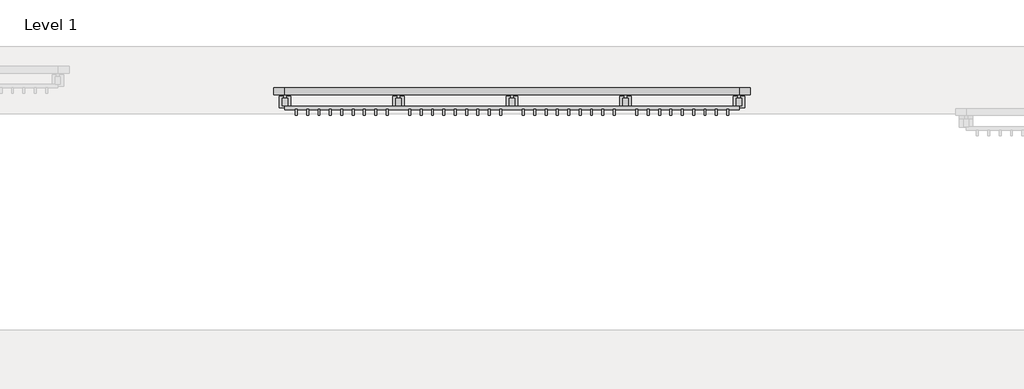
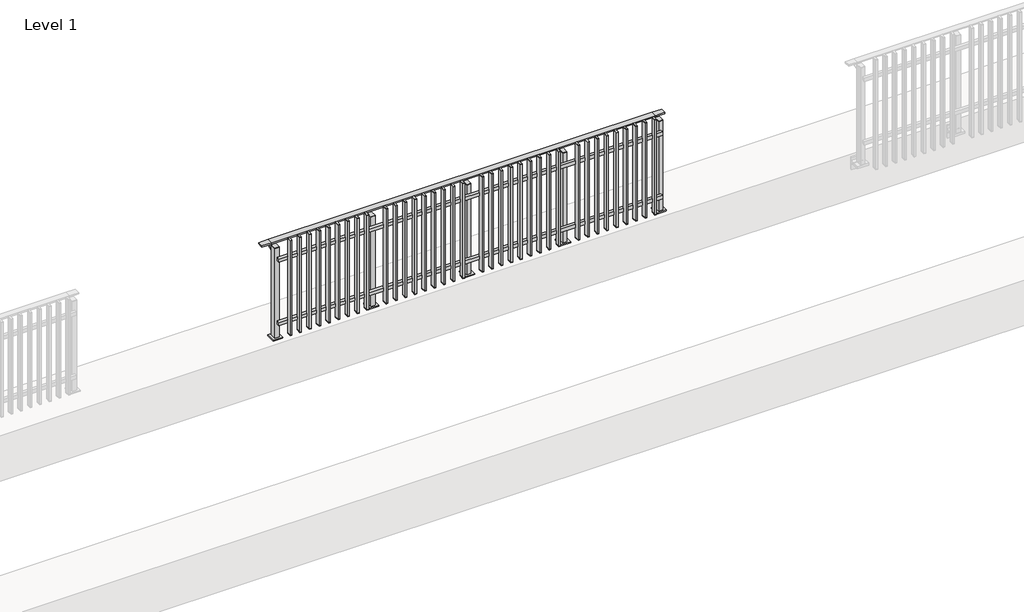
# One storey, part 10 of 17: 1 railing.
"""IFC4 building model written with IfcOpenShell, lengths in millimetres."""

from ifc_helpers import new_model, si_unit, point, frame, frame_2d, origin, origin_with_axes, place, context, project, spatial, polyline, circle_curve, trimmed, segment, composite_curve, outline, extrude, faceted_brep, element, save

model = new_model("IFC4")

# Units and contexts
model_context = context("Model", 3, world=origin())
ifc_project = project(units=[si_unit("LENGTHUNIT", "METRE", prefix="MILLI")], contexts=[model_context])

# Site, building, storey
site = spatial("IfcSite", under=ifc_project)
building = spatial("IfcBuilding", under=site)
storey = spatial("IfcBuildingStorey", under=building, Name="Level 1", Elevation=0.0)

# Railing
placement = place(None, origin())
element("IfcRailing", 1, at=placement, inside=storey, context=model_context, shape_type="SolidModel", body=[
    faceted_brep([(6000.0, 2625.6846828, 985.0), (6000.0, 2625.6846828, 1000.0), (10000.0, 2625.6846828, 1000.0), (10000.0, 2625.6846828, 985.0), (6000.0, 2565.6846828, 985.0), (10000.0, 2565.6846828, 985.0), (6000.0, 2565.6846828, 1000.0), (10000.0, 2565.6846828, 1000.0), (5900.0, 2625.6846828, 1000.0), (5900.0, 2625.6846828, 985.0), (5900.0, 2565.6846828, 985.0), (5900.0, 2565.6846828, 1000.0), (10100.0, 2625.6846828, 1000.0), (10100.0, 2565.6846828, 1000.0), (10100.0, 2565.6846828, 985.0), (10100.0, 2625.6846828, 985.0)], [[[0, 1, 2, 3]], [[4, 0, 3, 5]], [[6, 4, 5, 7]], [[1, 6, 7, 2]], [[8, 9, 10, 11]], [[9, 8, 1, 0]], [[10, 9, 0, 4]], [[11, 10, 4, 6]], [[8, 11, 6, 1]], [[12, 13, 14, 15]], [[3, 2, 12, 15]], [[5, 3, 15, 14]], [[7, 5, 14, 13]], [[2, 7, 13, 12]]]),
    extrude(outline(polyline([(6000.0, 2432.6846828), (6000.0, 2464.6846828), (10000.0, 2464.6846828), (10000.0, 2432.6846828), (6000.0, 2432.6846828)])), frame((0.0, 0.0, 164.0), z_axis=(0.0, 0.0, 1.0), x_axis=(1.0, 0.0, 0.0)), (0.0, 0.0, 1.0), 36.0),
    extrude(outline(polyline([(6000.0, 2432.6846828), (6000.0, 2464.6846828), (10000.0, 2464.6846828), (10000.0, 2432.6846828), (6000.0, 2432.6846828)])), frame((0.0, 0.0, 864.0), z_axis=(0.0, 0.0, 1.0), x_axis=(1.0, 0.0, 0.0)), (0.0, 0.0, 1.0), 36.0),
    extrude(outline(polyline([(9908.5, 2435.6846828), (9908.5, 2386.6846828), (9891.5, 2386.6846828), (9891.5, 2435.6846828), (9908.5, 2435.6846828)])), frame((0.0, 0.0, 50.0), z_axis=(0.0, 0.0, 1.0), x_axis=(1.0, 0.0, 0.0)), (0.0, 0.0, 1.0), 5.0),
    extrude(outline(polyline([(9908.5, 2435.6846828), (9908.5, 2386.6846828), (9891.5, 2386.6846828), (9891.5, 2435.6846828), (9908.5, 2435.6846828)])), frame((0.0, 0.0, 1095.0), z_axis=(0.0, 0.0, 1.0), x_axis=(1.0, 0.0, 0.0)), (0.0, 0.0, 1.0), 5.0),
    extrude(outline(polyline([(9891.5, 2386.6846828), (9891.5, 2435.6846828), (9908.5, 2435.6846828), (9908.5, 2386.6846828), (9891.5, 2386.6846828)])), frame((0.0, 0.0, 55.0), z_axis=(0.0, 0.0, 1.0), x_axis=(1.0, 0.0, 0.0)), (0.0, 0.0, 1.0), 1040.0),
    extrude(outline(polyline([(9808.5, 2435.6846828), (9808.5, 2386.6846828), (9791.5, 2386.6846828), (9791.5, 2435.6846828), (9808.5, 2435.6846828)])), frame((0.0, 0.0, 50.0), z_axis=(0.0, 0.0, 1.0), x_axis=(1.0, 0.0, 0.0)), (0.0, 0.0, 1.0), 5.0),
    extrude(outline(polyline([(9808.5, 2435.6846828), (9808.5, 2386.6846828), (9791.5, 2386.6846828), (9791.5, 2435.6846828), (9808.5, 2435.6846828)])), frame((0.0, 0.0, 1095.0), z_axis=(0.0, 0.0, 1.0), x_axis=(1.0, 0.0, 0.0)), (0.0, 0.0, 1.0), 5.0),
    extrude(outline(polyline([(9791.5, 2386.6846828), (9791.5, 2435.6846828), (9808.5, 2435.6846828), (9808.5, 2386.6846828), (9791.5, 2386.6846828)])), frame((0.0, 0.0, 55.0), z_axis=(0.0, 0.0, 1.0), x_axis=(1.0, 0.0, 0.0)), (0.0, 0.0, 1.0), 1040.0),
    extrude(outline(polyline([(9708.5, 2435.6846828), (9708.5, 2386.6846828), (9691.5, 2386.6846828), (9691.5, 2435.6846828), (9708.5, 2435.6846828)])), frame((0.0, 0.0, 50.0), z_axis=(0.0, 0.0, 1.0), x_axis=(1.0, 0.0, 0.0)), (0.0, 0.0, 1.0), 5.0),
    extrude(outline(polyline([(9708.5, 2435.6846828), (9708.5, 2386.6846828), (9691.5, 2386.6846828), (9691.5, 2435.6846828), (9708.5, 2435.6846828)])), frame((0.0, 0.0, 1095.0), z_axis=(0.0, 0.0, 1.0), x_axis=(1.0, 0.0, 0.0)), (0.0, 0.0, 1.0), 5.0),
    extrude(outline(polyline([(9691.5, 2386.6846828), (9691.5, 2435.6846828), (9708.5, 2435.6846828), (9708.5, 2386.6846828), (9691.5, 2386.6846828)])), frame((0.0, 0.0, 55.0), z_axis=(0.0, 0.0, 1.0), x_axis=(1.0, 0.0, 0.0)), (0.0, 0.0, 1.0), 1040.0),
    extrude(outline(polyline([(9608.5, 2435.6846828), (9608.5, 2386.6846828), (9591.5, 2386.6846828), (9591.5, 2435.6846828), (9608.5, 2435.6846828)])), frame((0.0, 0.0, 50.0), z_axis=(0.0, 0.0, 1.0), x_axis=(1.0, 0.0, 0.0)), (0.0, 0.0, 1.0), 5.0),
    extrude(outline(polyline([(9608.5, 2435.6846828), (9608.5, 2386.6846828), (9591.5, 2386.6846828), (9591.5, 2435.6846828), (9608.5, 2435.6846828)])), frame((0.0, 0.0, 1095.0), z_axis=(0.0, 0.0, 1.0), x_axis=(1.0, 0.0, 0.0)), (0.0, 0.0, 1.0), 5.0),
    extrude(outline(polyline([(9591.5, 2386.6846828), (9591.5, 2435.6846828), (9608.5, 2435.6846828), (9608.5, 2386.6846828), (9591.5, 2386.6846828)])), frame((0.0, 0.0, 55.0), z_axis=(0.0, 0.0, 1.0), x_axis=(1.0, 0.0, 0.0)), (0.0, 0.0, 1.0), 1040.0),
    extrude(outline(polyline([(9508.5, 2435.6846828), (9508.5, 2386.6846828), (9491.5, 2386.6846828), (9491.5, 2435.6846828), (9508.5, 2435.6846828)])), frame((0.0, 0.0, 50.0), z_axis=(0.0, 0.0, 1.0), x_axis=(1.0, 0.0, 0.0)), (0.0, 0.0, 1.0), 5.0),
    extrude(outline(polyline([(9508.5, 2435.6846828), (9508.5, 2386.6846828), (9491.5, 2386.6846828), (9491.5, 2435.6846828), (9508.5, 2435.6846828)])), frame((0.0, 0.0, 1095.0), z_axis=(0.0, 0.0, 1.0), x_axis=(1.0, 0.0, 0.0)), (0.0, 0.0, 1.0), 5.0),
    extrude(outline(polyline([(9491.5, 2386.6846828), (9491.5, 2435.6846828), (9508.5, 2435.6846828), (9508.5, 2386.6846828), (9491.5, 2386.6846828)])), frame((0.0, 0.0, 55.0), z_axis=(0.0, 0.0, 1.0), x_axis=(1.0, 0.0, 0.0)), (0.0, 0.0, 1.0), 1040.0),
    extrude(outline(polyline([(9408.5, 2435.6846828), (9408.5, 2386.6846828), (9391.5, 2386.6846828), (9391.5, 2435.6846828), (9408.5, 2435.6846828)])), frame((0.0, 0.0, 50.0), z_axis=(0.0, 0.0, 1.0), x_axis=(1.0, 0.0, 0.0)), (0.0, 0.0, 1.0), 5.0),
    extrude(outline(polyline([(9408.5, 2435.6846828), (9408.5, 2386.6846828), (9391.5, 2386.6846828), (9391.5, 2435.6846828), (9408.5, 2435.6846828)])), frame((0.0, 0.0, 1095.0), z_axis=(0.0, 0.0, 1.0), x_axis=(1.0, 0.0, 0.0)), (0.0, 0.0, 1.0), 5.0),
    extrude(outline(polyline([(9391.5, 2386.6846828), (9391.5, 2435.6846828), (9408.5, 2435.6846828), (9408.5, 2386.6846828), (9391.5, 2386.6846828)])), frame((0.0, 0.0, 55.0), z_axis=(0.0, 0.0, 1.0), x_axis=(1.0, 0.0, 0.0)), (0.0, 0.0, 1.0), 1040.0),
    extrude(outline(polyline([(9308.5, 2435.6846828), (9308.5, 2386.6846828), (9291.5, 2386.6846828), (9291.5, 2435.6846828), (9308.5, 2435.6846828)])), frame((0.0, 0.0, 50.0), z_axis=(0.0, 0.0, 1.0), x_axis=(1.0, 0.0, 0.0)), (0.0, 0.0, 1.0), 5.0),
    extrude(outline(polyline([(9308.5, 2435.6846828), (9308.5, 2386.6846828), (9291.5, 2386.6846828), (9291.5, 2435.6846828), (9308.5, 2435.6846828)])), frame((0.0, 0.0, 1095.0), z_axis=(0.0, 0.0, 1.0), x_axis=(1.0, 0.0, 0.0)), (0.0, 0.0, 1.0), 5.0),
    extrude(outline(polyline([(9291.5, 2386.6846828), (9291.5, 2435.6846828), (9308.5, 2435.6846828), (9308.5, 2386.6846828), (9291.5, 2386.6846828)])), frame((0.0, 0.0, 55.0), z_axis=(0.0, 0.0, 1.0), x_axis=(1.0, 0.0, 0.0)), (0.0, 0.0, 1.0), 1040.0),
    extrude(outline(polyline([(9208.5, 2435.6846828), (9208.5, 2386.6846828), (9191.5, 2386.6846828), (9191.5, 2435.6846828), (9208.5, 2435.6846828)])), frame((0.0, 0.0, 50.0), z_axis=(0.0, 0.0, 1.0), x_axis=(1.0, 0.0, 0.0)), (0.0, 0.0, 1.0), 5.0),
    extrude(outline(polyline([(9208.5, 2435.6846828), (9208.5, 2386.6846828), (9191.5, 2386.6846828), (9191.5, 2435.6846828), (9208.5, 2435.6846828)])), frame((0.0, 0.0, 1095.0), z_axis=(0.0, 0.0, 1.0), x_axis=(1.0, 0.0, 0.0)), (0.0, 0.0, 1.0), 5.0),
    extrude(outline(polyline([(9191.5, 2386.6846828), (9191.5, 2435.6846828), (9208.5, 2435.6846828), (9208.5, 2386.6846828), (9191.5, 2386.6846828)])), frame((0.0, 0.0, 55.0), z_axis=(0.0, 0.0, 1.0), x_axis=(1.0, 0.0, 0.0)), (0.0, 0.0, 1.0), 1040.0),
    extrude(outline(polyline([(9108.5, 2435.6846828), (9108.5, 2386.6846828), (9091.5, 2386.6846828), (9091.5, 2435.6846828), (9108.5, 2435.6846828)])), frame((0.0, 0.0, 50.0), z_axis=(0.0, 0.0, 1.0), x_axis=(1.0, 0.0, 0.0)), (0.0, 0.0, 1.0), 5.0),
    extrude(outline(polyline([(9108.5, 2435.6846828), (9108.5, 2386.6846828), (9091.5, 2386.6846828), (9091.5, 2435.6846828), (9108.5, 2435.6846828)])), frame((0.0, 0.0, 1095.0), z_axis=(0.0, 0.0, 1.0), x_axis=(1.0, 0.0, 0.0)), (0.0, 0.0, 1.0), 5.0),
    extrude(outline(polyline([(9091.5, 2386.6846828), (9091.5, 2435.6846828), (9108.5, 2435.6846828), (9108.5, 2386.6846828), (9091.5, 2386.6846828)])), frame((0.0, 0.0, 55.0), z_axis=(0.0, 0.0, 1.0), x_axis=(1.0, 0.0, 0.0)), (0.0, 0.0, 1.0), 1040.0),
    extrude(outline(composite_curve([segment(polyline([(2620.6846828, 985.0), (2620.6846828, 960.900037)]), True, "CONTINUOUS"), segment(trimmed(circle_curve(frame_2d((2610.6846828, 960.900037)), 10.0), [point((2620.6846828, 960.900037))], [point((2613.2728733, 951.2407787))], False, "CARTESIAN"), True, "CONTINUOUS"), segment(polyline([(2613.2728733, 951.2407787), (2556.2244733, 935.9547061)]), True, "CONTINUOUS"), segment(trimmed(circle_curve(frame_2d((2558.8126638, 926.2954478)), 10.0), [point((2556.2244733, 935.9547061))], [point((2548.8982152, 927.6007097))], True, "CARTESIAN"), True, "CONTINUOUS"), segment(polyline([(2548.8982152, 927.6007097), (2544.291393, 892.6084214)]), True, "CONTINUOUS"), segment(trimmed(circle_curve(frame_2d((2541.3170584, 893.0)), 3.0), [point((2544.291393, 892.6084214))], [point((2541.3170584, 890.0))], False, "CARTESIAN"), True, "CONTINUOUS"), segment(polyline([(2541.3170584, 890.0), (2532.6846828, 890.0), (2532.6846828, 940.0), (2596.6846828, 957.1487483), (2596.6846828, 985.0), (2620.6846828, 985.0)]), True, "CONTINUOUS")], self_intersect=False)), frame((8987.5, 0.0, 0.0), z_axis=(1.0, 0.0, 0.0), x_axis=(0.0, 1.0, 0.0)), (0.0, 0.0, 1.0), 25.0),
    extrude(outline(polyline([(9022.5, 2532.6846828), (9022.5, 2467.6846828), (8977.5, 2467.6846828), (8977.5, 2532.6846828), (9022.5, 2532.6846828)])), frame((0.0, 0.0, 1000.0), z_axis=(0.0, 0.0, 1.0), x_axis=(1.0, 0.0, 0.0)), (0.0, 0.0, 1.0), 5.0),
    extrude(outline(polyline([(9050.0, 2550.1846828), (9050.0, 2450.1846828), (8950.0, 2450.1846828), (8950.0, 2550.1846828), (9050.0, 2550.1846828)])), origin_with_axes(), (0.0, 0.0, 1.0), 12.0),
    extrude(outline(polyline([(9022.5, 2532.6846828), (9022.5, 2467.6846828), (8977.5, 2467.6846828), (8977.5, 2532.6846828), (9022.5, 2532.6846828)])), frame((0.0, 0.0, 12.0), z_axis=(0.0, 0.0, 1.0), x_axis=(1.0, 0.0, 0.0)), (0.0, 0.0, 1.0), 988.0),
    extrude(outline(polyline([(8908.5, 2435.6846828), (8908.5, 2386.6846828), (8891.5, 2386.6846828), (8891.5, 2435.6846828), (8908.5, 2435.6846828)])), frame((0.0, 0.0, 50.0), z_axis=(0.0, 0.0, 1.0), x_axis=(1.0, 0.0, 0.0)), (0.0, 0.0, 1.0), 5.0),
    extrude(outline(polyline([(8908.5, 2435.6846828), (8908.5, 2386.6846828), (8891.5, 2386.6846828), (8891.5, 2435.6846828), (8908.5, 2435.6846828)])), frame((0.0, 0.0, 1095.0), z_axis=(0.0, 0.0, 1.0), x_axis=(1.0, 0.0, 0.0)), (0.0, 0.0, 1.0), 5.0),
    extrude(outline(polyline([(8891.5, 2386.6846828), (8891.5, 2435.6846828), (8908.5, 2435.6846828), (8908.5, 2386.6846828), (8891.5, 2386.6846828)])), frame((0.0, 0.0, 55.0), z_axis=(0.0, 0.0, 1.0), x_axis=(1.0, 0.0, 0.0)), (0.0, 0.0, 1.0), 1040.0),
    extrude(outline(polyline([(8808.5, 2435.6846828), (8808.5, 2386.6846828), (8791.5, 2386.6846828), (8791.5, 2435.6846828), (8808.5, 2435.6846828)])), frame((0.0, 0.0, 50.0), z_axis=(0.0, 0.0, 1.0), x_axis=(1.0, 0.0, 0.0)), (0.0, 0.0, 1.0), 5.0),
    extrude(outline(polyline([(8808.5, 2435.6846828), (8808.5, 2386.6846828), (8791.5, 2386.6846828), (8791.5, 2435.6846828), (8808.5, 2435.6846828)])), frame((0.0, 0.0, 1095.0), z_axis=(0.0, 0.0, 1.0), x_axis=(1.0, 0.0, 0.0)), (0.0, 0.0, 1.0), 5.0),
    extrude(outline(polyline([(8791.5, 2386.6846828), (8791.5, 2435.6846828), (8808.5, 2435.6846828), (8808.5, 2386.6846828), (8791.5, 2386.6846828)])), frame((0.0, 0.0, 55.0), z_axis=(0.0, 0.0, 1.0), x_axis=(1.0, 0.0, 0.0)), (0.0, 0.0, 1.0), 1040.0),
    extrude(outline(polyline([(8708.5, 2435.6846828), (8708.5, 2386.6846828), (8691.5, 2386.6846828), (8691.5, 2435.6846828), (8708.5, 2435.6846828)])), frame((0.0, 0.0, 50.0), z_axis=(0.0, 0.0, 1.0), x_axis=(1.0, 0.0, 0.0)), (0.0, 0.0, 1.0), 5.0),
    extrude(outline(polyline([(8708.5, 2435.6846828), (8708.5, 2386.6846828), (8691.5, 2386.6846828), (8691.5, 2435.6846828), (8708.5, 2435.6846828)])), frame((0.0, 0.0, 1095.0), z_axis=(0.0, 0.0, 1.0), x_axis=(1.0, 0.0, 0.0)), (0.0, 0.0, 1.0), 5.0),
    extrude(outline(polyline([(8691.5, 2386.6846828), (8691.5, 2435.6846828), (8708.5, 2435.6846828), (8708.5, 2386.6846828), (8691.5, 2386.6846828)])), frame((0.0, 0.0, 55.0), z_axis=(0.0, 0.0, 1.0), x_axis=(1.0, 0.0, 0.0)), (0.0, 0.0, 1.0), 1040.0),
    extrude(outline(polyline([(8608.5, 2435.6846828), (8608.5, 2386.6846828), (8591.5, 2386.6846828), (8591.5, 2435.6846828), (8608.5, 2435.6846828)])), frame((0.0, 0.0, 50.0), z_axis=(0.0, 0.0, 1.0), x_axis=(1.0, 0.0, 0.0)), (0.0, 0.0, 1.0), 5.0),
    extrude(outline(polyline([(8608.5, 2435.6846828), (8608.5, 2386.6846828), (8591.5, 2386.6846828), (8591.5, 2435.6846828), (8608.5, 2435.6846828)])), frame((0.0, 0.0, 1095.0), z_axis=(0.0, 0.0, 1.0), x_axis=(1.0, 0.0, 0.0)), (0.0, 0.0, 1.0), 5.0),
    extrude(outline(polyline([(8591.5, 2386.6846828), (8591.5, 2435.6846828), (8608.5, 2435.6846828), (8608.5, 2386.6846828), (8591.5, 2386.6846828)])), frame((0.0, 0.0, 55.0), z_axis=(0.0, 0.0, 1.0), x_axis=(1.0, 0.0, 0.0)), (0.0, 0.0, 1.0), 1040.0),
    extrude(outline(polyline([(8508.5, 2435.6846828), (8508.5, 2386.6846828), (8491.5, 2386.6846828), (8491.5, 2435.6846828), (8508.5, 2435.6846828)])), frame((0.0, 0.0, 50.0), z_axis=(0.0, 0.0, 1.0), x_axis=(1.0, 0.0, 0.0)), (0.0, 0.0, 1.0), 5.0),
    extrude(outline(polyline([(8508.5, 2435.6846828), (8508.5, 2386.6846828), (8491.5, 2386.6846828), (8491.5, 2435.6846828), (8508.5, 2435.6846828)])), frame((0.0, 0.0, 1095.0), z_axis=(0.0, 0.0, 1.0), x_axis=(1.0, 0.0, 0.0)), (0.0, 0.0, 1.0), 5.0),
    extrude(outline(polyline([(8491.5, 2386.6846828), (8491.5, 2435.6846828), (8508.5, 2435.6846828), (8508.5, 2386.6846828), (8491.5, 2386.6846828)])), frame((0.0, 0.0, 55.0), z_axis=(0.0, 0.0, 1.0), x_axis=(1.0, 0.0, 0.0)), (0.0, 0.0, 1.0), 1040.0),
    extrude(outline(polyline([(8408.5, 2435.6846828), (8408.5, 2386.6846828), (8391.5, 2386.6846828), (8391.5, 2435.6846828), (8408.5, 2435.6846828)])), frame((0.0, 0.0, 50.0), z_axis=(0.0, 0.0, 1.0), x_axis=(1.0, 0.0, 0.0)), (0.0, 0.0, 1.0), 5.0),
    extrude(outline(polyline([(8408.5, 2435.6846828), (8408.5, 2386.6846828), (8391.5, 2386.6846828), (8391.5, 2435.6846828), (8408.5, 2435.6846828)])), frame((0.0, 0.0, 1095.0), z_axis=(0.0, 0.0, 1.0), x_axis=(1.0, 0.0, 0.0)), (0.0, 0.0, 1.0), 5.0),
    extrude(outline(polyline([(8391.5, 2386.6846828), (8391.5, 2435.6846828), (8408.5, 2435.6846828), (8408.5, 2386.6846828), (8391.5, 2386.6846828)])), frame((0.0, 0.0, 55.0), z_axis=(0.0, 0.0, 1.0), x_axis=(1.0, 0.0, 0.0)), (0.0, 0.0, 1.0), 1040.0),
    extrude(outline(polyline([(8308.5, 2435.6846828), (8308.5, 2386.6846828), (8291.5, 2386.6846828), (8291.5, 2435.6846828), (8308.5, 2435.6846828)])), frame((0.0, 0.0, 50.0), z_axis=(0.0, 0.0, 1.0), x_axis=(1.0, 0.0, 0.0)), (0.0, 0.0, 1.0), 5.0),
    extrude(outline(polyline([(8308.5, 2435.6846828), (8308.5, 2386.6846828), (8291.5, 2386.6846828), (8291.5, 2435.6846828), (8308.5, 2435.6846828)])), frame((0.0, 0.0, 1095.0), z_axis=(0.0, 0.0, 1.0), x_axis=(1.0, 0.0, 0.0)), (0.0, 0.0, 1.0), 5.0),
    extrude(outline(polyline([(8291.5, 2386.6846828), (8291.5, 2435.6846828), (8308.5, 2435.6846828), (8308.5, 2386.6846828), (8291.5, 2386.6846828)])), frame((0.0, 0.0, 55.0), z_axis=(0.0, 0.0, 1.0), x_axis=(1.0, 0.0, 0.0)), (0.0, 0.0, 1.0), 1040.0),
    extrude(outline(polyline([(8208.5, 2435.6846828), (8208.5, 2386.6846828), (8191.5, 2386.6846828), (8191.5, 2435.6846828), (8208.5, 2435.6846828)])), frame((0.0, 0.0, 50.0), z_axis=(0.0, 0.0, 1.0), x_axis=(1.0, 0.0, 0.0)), (0.0, 0.0, 1.0), 5.0),
    extrude(outline(polyline([(8208.5, 2435.6846828), (8208.5, 2386.6846828), (8191.5, 2386.6846828), (8191.5, 2435.6846828), (8208.5, 2435.6846828)])), frame((0.0, 0.0, 1095.0), z_axis=(0.0, 0.0, 1.0), x_axis=(1.0, 0.0, 0.0)), (0.0, 0.0, 1.0), 5.0),
    extrude(outline(polyline([(8191.5, 2386.6846828), (8191.5, 2435.6846828), (8208.5, 2435.6846828), (8208.5, 2386.6846828), (8191.5, 2386.6846828)])), frame((0.0, 0.0, 55.0), z_axis=(0.0, 0.0, 1.0), x_axis=(1.0, 0.0, 0.0)), (0.0, 0.0, 1.0), 1040.0),
    extrude(outline(polyline([(8108.5, 2435.6846828), (8108.5, 2386.6846828), (8091.5, 2386.6846828), (8091.5, 2435.6846828), (8108.5, 2435.6846828)])), frame((0.0, 0.0, 50.0), z_axis=(0.0, 0.0, 1.0), x_axis=(1.0, 0.0, 0.0)), (0.0, 0.0, 1.0), 5.0),
    extrude(outline(polyline([(8108.5, 2435.6846828), (8108.5, 2386.6846828), (8091.5, 2386.6846828), (8091.5, 2435.6846828), (8108.5, 2435.6846828)])), frame((0.0, 0.0, 1095.0), z_axis=(0.0, 0.0, 1.0), x_axis=(1.0, 0.0, 0.0)), (0.0, 0.0, 1.0), 5.0),
    extrude(outline(polyline([(8091.5, 2386.6846828), (8091.5, 2435.6846828), (8108.5, 2435.6846828), (8108.5, 2386.6846828), (8091.5, 2386.6846828)])), frame((0.0, 0.0, 55.0), z_axis=(0.0, 0.0, 1.0), x_axis=(1.0, 0.0, 0.0)), (0.0, 0.0, 1.0), 1040.0),
    extrude(outline(composite_curve([segment(polyline([(2620.6846828, 985.0), (2620.6846828, 960.900037)]), True, "CONTINUOUS"), segment(trimmed(circle_curve(frame_2d((2610.6846828, 960.900037)), 10.0), [point((2620.6846828, 960.900037))], [point((2613.2728733, 951.2407787))], False, "CARTESIAN"), True, "CONTINUOUS"), segment(polyline([(2613.2728733, 951.2407787), (2556.2244733, 935.9547061)]), True, "CONTINUOUS"), segment(trimmed(circle_curve(frame_2d((2558.8126638, 926.2954478)), 10.0), [point((2556.2244733, 935.9547061))], [point((2548.8982152, 927.6007097))], True, "CARTESIAN"), True, "CONTINUOUS"), segment(polyline([(2548.8982152, 927.6007097), (2544.291393, 892.6084214)]), True, "CONTINUOUS"), segment(trimmed(circle_curve(frame_2d((2541.3170584, 893.0)), 3.0), [point((2544.291393, 892.6084214))], [point((2541.3170584, 890.0))], False, "CARTESIAN"), True, "CONTINUOUS"), segment(polyline([(2541.3170584, 890.0), (2532.6846828, 890.0), (2532.6846828, 940.0), (2596.6846828, 957.1487483), (2596.6846828, 985.0), (2620.6846828, 985.0)]), True, "CONTINUOUS")], self_intersect=False)), frame((7987.5, 0.0, 0.0), z_axis=(1.0, 0.0, 0.0), x_axis=(0.0, 1.0, 0.0)), (0.0, 0.0, 1.0), 25.0),
    extrude(outline(polyline([(8022.5, 2532.6846828), (8022.5, 2467.6846828), (7977.5, 2467.6846828), (7977.5, 2532.6846828), (8022.5, 2532.6846828)])), frame((0.0, 0.0, 1000.0), z_axis=(0.0, 0.0, 1.0), x_axis=(1.0, 0.0, 0.0)), (0.0, 0.0, 1.0), 5.0),
    extrude(outline(polyline([(8050.0, 2550.1846828), (8050.0, 2450.1846828), (7950.0, 2450.1846828), (7950.0, 2550.1846828), (8050.0, 2550.1846828)])), origin_with_axes(), (0.0, 0.0, 1.0), 12.0),
    extrude(outline(polyline([(8022.5, 2532.6846828), (8022.5, 2467.6846828), (7977.5, 2467.6846828), (7977.5, 2532.6846828), (8022.5, 2532.6846828)])), frame((0.0, 0.0, 12.0), z_axis=(0.0, 0.0, 1.0), x_axis=(1.0, 0.0, 0.0)), (0.0, 0.0, 1.0), 988.0),
    extrude(outline(polyline([(7908.5, 2435.6846828), (7908.5, 2386.6846828), (7891.5, 2386.6846828), (7891.5, 2435.6846828), (7908.5, 2435.6846828)])), frame((0.0, 0.0, 50.0), z_axis=(0.0, 0.0, 1.0), x_axis=(1.0, 0.0, 0.0)), (0.0, 0.0, 1.0), 5.0),
    extrude(outline(polyline([(7908.5, 2435.6846828), (7908.5, 2386.6846828), (7891.5, 2386.6846828), (7891.5, 2435.6846828), (7908.5, 2435.6846828)])), frame((0.0, 0.0, 1095.0), z_axis=(0.0, 0.0, 1.0), x_axis=(1.0, 0.0, 0.0)), (0.0, 0.0, 1.0), 5.0),
    extrude(outline(polyline([(7891.5, 2386.6846828), (7891.5, 2435.6846828), (7908.5, 2435.6846828), (7908.5, 2386.6846828), (7891.5, 2386.6846828)])), frame((0.0, 0.0, 55.0), z_axis=(0.0, 0.0, 1.0), x_axis=(1.0, 0.0, 0.0)), (0.0, 0.0, 1.0), 1040.0),
    extrude(outline(polyline([(7808.5, 2435.6846828), (7808.5, 2386.6846828), (7791.5, 2386.6846828), (7791.5, 2435.6846828), (7808.5, 2435.6846828)])), frame((0.0, 0.0, 50.0), z_axis=(0.0, 0.0, 1.0), x_axis=(1.0, 0.0, 0.0)), (0.0, 0.0, 1.0), 5.0),
    extrude(outline(polyline([(7808.5, 2435.6846828), (7808.5, 2386.6846828), (7791.5, 2386.6846828), (7791.5, 2435.6846828), (7808.5, 2435.6846828)])), frame((0.0, 0.0, 1095.0), z_axis=(0.0, 0.0, 1.0), x_axis=(1.0, 0.0, 0.0)), (0.0, 0.0, 1.0), 5.0),
    extrude(outline(polyline([(7791.5, 2386.6846828), (7791.5, 2435.6846828), (7808.5, 2435.6846828), (7808.5, 2386.6846828), (7791.5, 2386.6846828)])), frame((0.0, 0.0, 55.0), z_axis=(0.0, 0.0, 1.0), x_axis=(1.0, 0.0, 0.0)), (0.0, 0.0, 1.0), 1040.0),
    extrude(outline(polyline([(7708.5, 2435.6846828), (7708.5, 2386.6846828), (7691.5, 2386.6846828), (7691.5, 2435.6846828), (7708.5, 2435.6846828)])), frame((0.0, 0.0, 50.0), z_axis=(0.0, 0.0, 1.0), x_axis=(1.0, 0.0, 0.0)), (0.0, 0.0, 1.0), 5.0),
    extrude(outline(polyline([(7708.5, 2435.6846828), (7708.5, 2386.6846828), (7691.5, 2386.6846828), (7691.5, 2435.6846828), (7708.5, 2435.6846828)])), frame((0.0, 0.0, 1095.0), z_axis=(0.0, 0.0, 1.0), x_axis=(1.0, 0.0, 0.0)), (0.0, 0.0, 1.0), 5.0),
    extrude(outline(polyline([(7691.5, 2386.6846828), (7691.5, 2435.6846828), (7708.5, 2435.6846828), (7708.5, 2386.6846828), (7691.5, 2386.6846828)])), frame((0.0, 0.0, 55.0), z_axis=(0.0, 0.0, 1.0), x_axis=(1.0, 0.0, 0.0)), (0.0, 0.0, 1.0), 1040.0),
    extrude(outline(polyline([(7608.5, 2435.6846828), (7608.5, 2386.6846828), (7591.5, 2386.6846828), (7591.5, 2435.6846828), (7608.5, 2435.6846828)])), frame((0.0, 0.0, 50.0), z_axis=(0.0, 0.0, 1.0), x_axis=(1.0, 0.0, 0.0)), (0.0, 0.0, 1.0), 5.0),
    extrude(outline(polyline([(7608.5, 2435.6846828), (7608.5, 2386.6846828), (7591.5, 2386.6846828), (7591.5, 2435.6846828), (7608.5, 2435.6846828)])), frame((0.0, 0.0, 1095.0), z_axis=(0.0, 0.0, 1.0), x_axis=(1.0, 0.0, 0.0)), (0.0, 0.0, 1.0), 5.0),
    extrude(outline(polyline([(7591.5, 2386.6846828), (7591.5, 2435.6846828), (7608.5, 2435.6846828), (7608.5, 2386.6846828), (7591.5, 2386.6846828)])), frame((0.0, 0.0, 55.0), z_axis=(0.0, 0.0, 1.0), x_axis=(1.0, 0.0, 0.0)), (0.0, 0.0, 1.0), 1040.0),
    extrude(outline(polyline([(7508.5, 2435.6846828), (7508.5, 2386.6846828), (7491.5, 2386.6846828), (7491.5, 2435.6846828), (7508.5, 2435.6846828)])), frame((0.0, 0.0, 50.0), z_axis=(0.0, 0.0, 1.0), x_axis=(1.0, 0.0, 0.0)), (0.0, 0.0, 1.0), 5.0),
    extrude(outline(polyline([(7508.5, 2435.6846828), (7508.5, 2386.6846828), (7491.5, 2386.6846828), (7491.5, 2435.6846828), (7508.5, 2435.6846828)])), frame((0.0, 0.0, 1095.0), z_axis=(0.0, 0.0, 1.0), x_axis=(1.0, 0.0, 0.0)), (0.0, 0.0, 1.0), 5.0),
    extrude(outline(polyline([(7491.5, 2386.6846828), (7491.5, 2435.6846828), (7508.5, 2435.6846828), (7508.5, 2386.6846828), (7491.5, 2386.6846828)])), frame((0.0, 0.0, 55.0), z_axis=(0.0, 0.0, 1.0), x_axis=(1.0, 0.0, 0.0)), (0.0, 0.0, 1.0), 1040.0),
    extrude(outline(polyline([(7408.5, 2435.6846828), (7408.5, 2386.6846828), (7391.5, 2386.6846828), (7391.5, 2435.6846828), (7408.5, 2435.6846828)])), frame((0.0, 0.0, 50.0), z_axis=(0.0, 0.0, 1.0), x_axis=(1.0, 0.0, 0.0)), (0.0, 0.0, 1.0), 5.0),
    extrude(outline(polyline([(7408.5, 2435.6846828), (7408.5, 2386.6846828), (7391.5, 2386.6846828), (7391.5, 2435.6846828), (7408.5, 2435.6846828)])), frame((0.0, 0.0, 1095.0), z_axis=(0.0, 0.0, 1.0), x_axis=(1.0, 0.0, 0.0)), (0.0, 0.0, 1.0), 5.0),
    extrude(outline(polyline([(7391.5, 2386.6846828), (7391.5, 2435.6846828), (7408.5, 2435.6846828), (7408.5, 2386.6846828), (7391.5, 2386.6846828)])), frame((0.0, 0.0, 55.0), z_axis=(0.0, 0.0, 1.0), x_axis=(1.0, 0.0, 0.0)), (0.0, 0.0, 1.0), 1040.0),
    extrude(outline(polyline([(7308.5, 2435.6846828), (7308.5, 2386.6846828), (7291.5, 2386.6846828), (7291.5, 2435.6846828), (7308.5, 2435.6846828)])), frame((0.0, 0.0, 50.0), z_axis=(0.0, 0.0, 1.0), x_axis=(1.0, 0.0, 0.0)), (0.0, 0.0, 1.0), 5.0),
    extrude(outline(polyline([(7308.5, 2435.6846828), (7308.5, 2386.6846828), (7291.5, 2386.6846828), (7291.5, 2435.6846828), (7308.5, 2435.6846828)])), frame((0.0, 0.0, 1095.0), z_axis=(0.0, 0.0, 1.0), x_axis=(1.0, 0.0, 0.0)), (0.0, 0.0, 1.0), 5.0),
    extrude(outline(polyline([(7291.5, 2386.6846828), (7291.5, 2435.6846828), (7308.5, 2435.6846828), (7308.5, 2386.6846828), (7291.5, 2386.6846828)])), frame((0.0, 0.0, 55.0), z_axis=(0.0, 0.0, 1.0), x_axis=(1.0, 0.0, 0.0)), (0.0, 0.0, 1.0), 1040.0),
    extrude(outline(polyline([(7208.5, 2435.6846828), (7208.5, 2386.6846828), (7191.5, 2386.6846828), (7191.5, 2435.6846828), (7208.5, 2435.6846828)])), frame((0.0, 0.0, 50.0), z_axis=(0.0, 0.0, 1.0), x_axis=(1.0, 0.0, 0.0)), (0.0, 0.0, 1.0), 5.0),
    extrude(outline(polyline([(7208.5, 2435.6846828), (7208.5, 2386.6846828), (7191.5, 2386.6846828), (7191.5, 2435.6846828), (7208.5, 2435.6846828)])), frame((0.0, 0.0, 1095.0), z_axis=(0.0, 0.0, 1.0), x_axis=(1.0, 0.0, 0.0)), (0.0, 0.0, 1.0), 5.0),
    extrude(outline(polyline([(7191.5, 2386.6846828), (7191.5, 2435.6846828), (7208.5, 2435.6846828), (7208.5, 2386.6846828), (7191.5, 2386.6846828)])), frame((0.0, 0.0, 55.0), z_axis=(0.0, 0.0, 1.0), x_axis=(1.0, 0.0, 0.0)), (0.0, 0.0, 1.0), 1040.0),
    extrude(outline(polyline([(7108.5, 2435.6846828), (7108.5, 2386.6846828), (7091.5, 2386.6846828), (7091.5, 2435.6846828), (7108.5, 2435.6846828)])), frame((0.0, 0.0, 50.0), z_axis=(0.0, 0.0, 1.0), x_axis=(1.0, 0.0, 0.0)), (0.0, 0.0, 1.0), 5.0),
    extrude(outline(polyline([(7108.5, 2435.6846828), (7108.5, 2386.6846828), (7091.5, 2386.6846828), (7091.5, 2435.6846828), (7108.5, 2435.6846828)])), frame((0.0, 0.0, 1095.0), z_axis=(0.0, 0.0, 1.0), x_axis=(1.0, 0.0, 0.0)), (0.0, 0.0, 1.0), 5.0),
    extrude(outline(polyline([(7091.5, 2386.6846828), (7091.5, 2435.6846828), (7108.5, 2435.6846828), (7108.5, 2386.6846828), (7091.5, 2386.6846828)])), frame((0.0, 0.0, 55.0), z_axis=(0.0, 0.0, 1.0), x_axis=(1.0, 0.0, 0.0)), (0.0, 0.0, 1.0), 1040.0),
    extrude(outline(composite_curve([segment(polyline([(2620.6846828, 985.0), (2620.6846828, 960.900037)]), True, "CONTINUOUS"), segment(trimmed(circle_curve(frame_2d((2610.6846828, 960.900037)), 10.0), [point((2620.6846828, 960.900037))], [point((2613.2728733, 951.2407787))], False, "CARTESIAN"), True, "CONTINUOUS"), segment(polyline([(2613.2728733, 951.2407787), (2556.2244733, 935.9547061)]), True, "CONTINUOUS"), segment(trimmed(circle_curve(frame_2d((2558.8126638, 926.2954478)), 10.0), [point((2556.2244733, 935.9547061))], [point((2548.8982152, 927.6007097))], True, "CARTESIAN"), True, "CONTINUOUS"), segment(polyline([(2548.8982152, 927.6007097), (2544.291393, 892.6084214)]), True, "CONTINUOUS"), segment(trimmed(circle_curve(frame_2d((2541.3170584, 893.0)), 3.0), [point((2544.291393, 892.6084214))], [point((2541.3170584, 890.0))], False, "CARTESIAN"), True, "CONTINUOUS"), segment(polyline([(2541.3170584, 890.0), (2532.6846828, 890.0), (2532.6846828, 940.0), (2596.6846828, 957.1487483), (2596.6846828, 985.0), (2620.6846828, 985.0)]), True, "CONTINUOUS")], self_intersect=False)), frame((6987.5, 0.0, 0.0), z_axis=(1.0, 0.0, 0.0), x_axis=(0.0, 1.0, 0.0)), (0.0, 0.0, 1.0), 25.0),
    extrude(outline(polyline([(7022.5, 2532.6846828), (7022.5, 2467.6846828), (6977.5, 2467.6846828), (6977.5, 2532.6846828), (7022.5, 2532.6846828)])), frame((0.0, 0.0, 1000.0), z_axis=(0.0, 0.0, 1.0), x_axis=(1.0, 0.0, 0.0)), (0.0, 0.0, 1.0), 5.0),
    extrude(outline(polyline([(7050.0, 2550.1846828), (7050.0, 2450.1846828), (6950.0, 2450.1846828), (6950.0, 2550.1846828), (7050.0, 2550.1846828)])), origin_with_axes(), (0.0, 0.0, 1.0), 12.0),
    extrude(outline(polyline([(7022.5, 2532.6846828), (7022.5, 2467.6846828), (6977.5, 2467.6846828), (6977.5, 2532.6846828), (7022.5, 2532.6846828)])), frame((0.0, 0.0, 12.0), z_axis=(0.0, 0.0, 1.0), x_axis=(1.0, 0.0, 0.0)), (0.0, 0.0, 1.0), 988.0),
    extrude(outline(polyline([(6908.5, 2435.6846828), (6908.5, 2386.6846828), (6891.5, 2386.6846828), (6891.5, 2435.6846828), (6908.5, 2435.6846828)])), frame((0.0, 0.0, 50.0), z_axis=(0.0, 0.0, 1.0), x_axis=(1.0, 0.0, 0.0)), (0.0, 0.0, 1.0), 5.0),
    extrude(outline(polyline([(6908.5, 2435.6846828), (6908.5, 2386.6846828), (6891.5, 2386.6846828), (6891.5, 2435.6846828), (6908.5, 2435.6846828)])), frame((0.0, 0.0, 1095.0), z_axis=(0.0, 0.0, 1.0), x_axis=(1.0, 0.0, 0.0)), (0.0, 0.0, 1.0), 5.0),
    extrude(outline(polyline([(6891.5, 2386.6846828), (6891.5, 2435.6846828), (6908.5, 2435.6846828), (6908.5, 2386.6846828), (6891.5, 2386.6846828)])), frame((0.0, 0.0, 55.0), z_axis=(0.0, 0.0, 1.0), x_axis=(1.0, 0.0, 0.0)), (0.0, 0.0, 1.0), 1040.0),
    extrude(outline(polyline([(6808.5, 2435.6846828), (6808.5, 2386.6846828), (6791.5, 2386.6846828), (6791.5, 2435.6846828), (6808.5, 2435.6846828)])), frame((0.0, 0.0, 50.0), z_axis=(0.0, 0.0, 1.0), x_axis=(1.0, 0.0, 0.0)), (0.0, 0.0, 1.0), 5.0),
    extrude(outline(polyline([(6808.5, 2435.6846828), (6808.5, 2386.6846828), (6791.5, 2386.6846828), (6791.5, 2435.6846828), (6808.5, 2435.6846828)])), frame((0.0, 0.0, 1095.0), z_axis=(0.0, 0.0, 1.0), x_axis=(1.0, 0.0, 0.0)), (0.0, 0.0, 1.0), 5.0),
    extrude(outline(polyline([(6791.5, 2386.6846828), (6791.5, 2435.6846828), (6808.5, 2435.6846828), (6808.5, 2386.6846828), (6791.5, 2386.6846828)])), frame((0.0, 0.0, 55.0), z_axis=(0.0, 0.0, 1.0), x_axis=(1.0, 0.0, 0.0)), (0.0, 0.0, 1.0), 1040.0),
    extrude(outline(polyline([(6708.5, 2435.6846828), (6708.5, 2386.6846828), (6691.5, 2386.6846828), (6691.5, 2435.6846828), (6708.5, 2435.6846828)])), frame((0.0, 0.0, 50.0), z_axis=(0.0, 0.0, 1.0), x_axis=(1.0, 0.0, 0.0)), (0.0, 0.0, 1.0), 5.0),
    extrude(outline(polyline([(6708.5, 2435.6846828), (6708.5, 2386.6846828), (6691.5, 2386.6846828), (6691.5, 2435.6846828), (6708.5, 2435.6846828)])), frame((0.0, 0.0, 1095.0), z_axis=(0.0, 0.0, 1.0), x_axis=(1.0, 0.0, 0.0)), (0.0, 0.0, 1.0), 5.0),
    extrude(outline(polyline([(6691.5, 2386.6846828), (6691.5, 2435.6846828), (6708.5, 2435.6846828), (6708.5, 2386.6846828), (6691.5, 2386.6846828)])), frame((0.0, 0.0, 55.0), z_axis=(0.0, 0.0, 1.0), x_axis=(1.0, 0.0, 0.0)), (0.0, 0.0, 1.0), 1040.0),
    extrude(outline(polyline([(6608.5, 2435.6846828), (6608.5, 2386.6846828), (6591.5, 2386.6846828), (6591.5, 2435.6846828), (6608.5, 2435.6846828)])), frame((0.0, 0.0, 50.0), z_axis=(0.0, 0.0, 1.0), x_axis=(1.0, 0.0, 0.0)), (0.0, 0.0, 1.0), 5.0),
    extrude(outline(polyline([(6608.5, 2435.6846828), (6608.5, 2386.6846828), (6591.5, 2386.6846828), (6591.5, 2435.6846828), (6608.5, 2435.6846828)])), frame((0.0, 0.0, 1095.0), z_axis=(0.0, 0.0, 1.0), x_axis=(1.0, 0.0, 0.0)), (0.0, 0.0, 1.0), 5.0),
    extrude(outline(polyline([(6591.5, 2386.6846828), (6591.5, 2435.6846828), (6608.5, 2435.6846828), (6608.5, 2386.6846828), (6591.5, 2386.6846828)])), frame((0.0, 0.0, 55.0), z_axis=(0.0, 0.0, 1.0), x_axis=(1.0, 0.0, 0.0)), (0.0, 0.0, 1.0), 1040.0),
    extrude(outline(polyline([(6508.5, 2435.6846828), (6508.5, 2386.6846828), (6491.5, 2386.6846828), (6491.5, 2435.6846828), (6508.5, 2435.6846828)])), frame((0.0, 0.0, 50.0), z_axis=(0.0, 0.0, 1.0), x_axis=(1.0, 0.0, 0.0)), (0.0, 0.0, 1.0), 5.0),
    extrude(outline(polyline([(6508.5, 2435.6846828), (6508.5, 2386.6846828), (6491.5, 2386.6846828), (6491.5, 2435.6846828), (6508.5, 2435.6846828)])), frame((0.0, 0.0, 1095.0), z_axis=(0.0, 0.0, 1.0), x_axis=(1.0, 0.0, 0.0)), (0.0, 0.0, 1.0), 5.0),
    extrude(outline(polyline([(6491.5, 2386.6846828), (6491.5, 2435.6846828), (6508.5, 2435.6846828), (6508.5, 2386.6846828), (6491.5, 2386.6846828)])), frame((0.0, 0.0, 55.0), z_axis=(0.0, 0.0, 1.0), x_axis=(1.0, 0.0, 0.0)), (0.0, 0.0, 1.0), 1040.0),
    extrude(outline(polyline([(6408.5, 2435.6846828), (6408.5, 2386.6846828), (6391.5, 2386.6846828), (6391.5, 2435.6846828), (6408.5, 2435.6846828)])), frame((0.0, 0.0, 50.0), z_axis=(0.0, 0.0, 1.0), x_axis=(1.0, 0.0, 0.0)), (0.0, 0.0, 1.0), 5.0),
    extrude(outline(polyline([(6408.5, 2435.6846828), (6408.5, 2386.6846828), (6391.5, 2386.6846828), (6391.5, 2435.6846828), (6408.5, 2435.6846828)])), frame((0.0, 0.0, 1095.0), z_axis=(0.0, 0.0, 1.0), x_axis=(1.0, 0.0, 0.0)), (0.0, 0.0, 1.0), 5.0),
    extrude(outline(polyline([(6391.5, 2386.6846828), (6391.5, 2435.6846828), (6408.5, 2435.6846828), (6408.5, 2386.6846828), (6391.5, 2386.6846828)])), frame((0.0, 0.0, 55.0), z_axis=(0.0, 0.0, 1.0), x_axis=(1.0, 0.0, 0.0)), (0.0, 0.0, 1.0), 1040.0),
    extrude(outline(polyline([(6308.5, 2435.6846828), (6308.5, 2386.6846828), (6291.5, 2386.6846828), (6291.5, 2435.6846828), (6308.5, 2435.6846828)])), frame((0.0, 0.0, 50.0), z_axis=(0.0, 0.0, 1.0), x_axis=(1.0, 0.0, 0.0)), (0.0, 0.0, 1.0), 5.0),
    extrude(outline(polyline([(6308.5, 2435.6846828), (6308.5, 2386.6846828), (6291.5, 2386.6846828), (6291.5, 2435.6846828), (6308.5, 2435.6846828)])), frame((0.0, 0.0, 1095.0), z_axis=(0.0, 0.0, 1.0), x_axis=(1.0, 0.0, 0.0)), (0.0, 0.0, 1.0), 5.0),
    extrude(outline(polyline([(6291.5, 2386.6846828), (6291.5, 2435.6846828), (6308.5, 2435.6846828), (6308.5, 2386.6846828), (6291.5, 2386.6846828)])), frame((0.0, 0.0, 55.0), z_axis=(0.0, 0.0, 1.0), x_axis=(1.0, 0.0, 0.0)), (0.0, 0.0, 1.0), 1040.0),
    extrude(outline(polyline([(6208.5, 2435.6846828), (6208.5, 2386.6846828), (6191.5, 2386.6846828), (6191.5, 2435.6846828), (6208.5, 2435.6846828)])), frame((0.0, 0.0, 50.0), z_axis=(0.0, 0.0, 1.0), x_axis=(1.0, 0.0, 0.0)), (0.0, 0.0, 1.0), 5.0),
    extrude(outline(polyline([(6208.5, 2435.6846828), (6208.5, 2386.6846828), (6191.5, 2386.6846828), (6191.5, 2435.6846828), (6208.5, 2435.6846828)])), frame((0.0, 0.0, 1095.0), z_axis=(0.0, 0.0, 1.0), x_axis=(1.0, 0.0, 0.0)), (0.0, 0.0, 1.0), 5.0),
    extrude(outline(polyline([(6191.5, 2386.6846828), (6191.5, 2435.6846828), (6208.5, 2435.6846828), (6208.5, 2386.6846828), (6191.5, 2386.6846828)])), frame((0.0, 0.0, 55.0), z_axis=(0.0, 0.0, 1.0), x_axis=(1.0, 0.0, 0.0)), (0.0, 0.0, 1.0), 1040.0),
    extrude(outline(polyline([(6108.5, 2435.6846828), (6108.5, 2386.6846828), (6091.5, 2386.6846828), (6091.5, 2435.6846828), (6108.5, 2435.6846828)])), frame((0.0, 0.0, 50.0), z_axis=(0.0, 0.0, 1.0), x_axis=(1.0, 0.0, 0.0)), (0.0, 0.0, 1.0), 5.0),
    extrude(outline(polyline([(6108.5, 2435.6846828), (6108.5, 2386.6846828), (6091.5, 2386.6846828), (6091.5, 2435.6846828), (6108.5, 2435.6846828)])), frame((0.0, 0.0, 1095.0), z_axis=(0.0, 0.0, 1.0), x_axis=(1.0, 0.0, 0.0)), (0.0, 0.0, 1.0), 5.0),
    extrude(outline(polyline([(6091.5, 2386.6846828), (6091.5, 2435.6846828), (6108.5, 2435.6846828), (6108.5, 2386.6846828), (6091.5, 2386.6846828)])), frame((0.0, 0.0, 55.0), z_axis=(0.0, 0.0, 1.0), x_axis=(1.0, 0.0, 0.0)), (0.0, 0.0, 1.0), 1040.0),
    extrude(outline(composite_curve([segment(polyline([(2620.6846828, 985.0), (2620.6846828, 960.900037)]), True, "CONTINUOUS"), segment(trimmed(circle_curve(frame_2d((2610.6846828, 960.900037)), 10.0), [point((2620.6846828, 960.900037))], [point((2613.2728733, 951.2407787))], False, "CARTESIAN"), True, "CONTINUOUS"), segment(polyline([(2613.2728733, 951.2407787), (2556.2244733, 935.9547061)]), True, "CONTINUOUS"), segment(trimmed(circle_curve(frame_2d((2558.8126638, 926.2954478)), 10.0), [point((2556.2244733, 935.9547061))], [point((2548.8982152, 927.6007097))], True, "CARTESIAN"), True, "CONTINUOUS"), segment(polyline([(2548.8982152, 927.6007097), (2544.291393, 892.6084214)]), True, "CONTINUOUS"), segment(trimmed(circle_curve(frame_2d((2541.3170584, 893.0)), 3.0), [point((2544.291393, 892.6084214))], [point((2541.3170584, 890.0))], False, "CARTESIAN"), True, "CONTINUOUS"), segment(polyline([(2541.3170584, 890.0), (2532.6846828, 890.0), (2532.6846828, 940.0), (2596.6846828, 957.1487483), (2596.6846828, 985.0), (2620.6846828, 985.0)]), True, "CONTINUOUS")], self_intersect=False)), frame((9987.5, 0.0, 0.0), z_axis=(1.0, 0.0, 0.0), x_axis=(0.0, 1.0, 0.0)), (0.0, 0.0, 1.0), 25.0),
    extrude(outline(polyline([(10022.5, 2532.6846828), (10022.5, 2467.6846828), (9977.5, 2467.6846828), (9977.5, 2532.6846828), (10022.5, 2532.6846828)])), frame((0.0, 0.0, 1000.0), z_axis=(0.0, 0.0, 1.0), x_axis=(1.0, 0.0, 0.0)), (0.0, 0.0, 1.0), 5.0),
    extrude(outline(polyline([(10050.0, 2550.1846828), (10050.0, 2450.1846828), (9950.0, 2450.1846828), (9950.0, 2550.1846828), (10050.0, 2550.1846828)])), origin_with_axes(), (0.0, 0.0, 1.0), 12.0),
    extrude(outline(polyline([(10022.5, 2532.6846828), (10022.5, 2467.6846828), (9977.5, 2467.6846828), (9977.5, 2532.6846828), (10022.5, 2532.6846828)])), frame((0.0, 0.0, 12.0), z_axis=(0.0, 0.0, 1.0), x_axis=(1.0, 0.0, 0.0)), (0.0, 0.0, 1.0), 988.0),
    extrude(outline(composite_curve([segment(polyline([(2620.6846828, 985.0), (2620.6846828, 960.900037)]), True, "CONTINUOUS"), segment(trimmed(circle_curve(frame_2d((2610.6846828, 960.900037)), 10.0), [point((2620.6846828, 960.900037))], [point((2613.2728733, 951.2407787))], False, "CARTESIAN"), True, "CONTINUOUS"), segment(polyline([(2613.2728733, 951.2407787), (2556.2244733, 935.9547061)]), True, "CONTINUOUS"), segment(trimmed(circle_curve(frame_2d((2558.8126638, 926.2954478)), 10.0), [point((2556.2244733, 935.9547061))], [point((2548.8982152, 927.6007097))], True, "CARTESIAN"), True, "CONTINUOUS"), segment(polyline([(2548.8982152, 927.6007097), (2544.291393, 892.6084214)]), True, "CONTINUOUS"), segment(trimmed(circle_curve(frame_2d((2541.3170584, 893.0)), 3.0), [point((2544.291393, 892.6084214))], [point((2541.3170584, 890.0))], False, "CARTESIAN"), True, "CONTINUOUS"), segment(polyline([(2541.3170584, 890.0), (2532.6846828, 890.0), (2532.6846828, 940.0), (2596.6846828, 957.1487483), (2596.6846828, 985.0), (2620.6846828, 985.0)]), True, "CONTINUOUS")], self_intersect=False)), frame((5987.5, 0.0, 0.0), z_axis=(1.0, 0.0, 0.0), x_axis=(0.0, 1.0, 0.0)), (0.0, 0.0, 1.0), 25.0),
    extrude(outline(polyline([(6022.5, 2532.6846828), (6022.5, 2467.6846828), (5977.5, 2467.6846828), (5977.5, 2532.6846828), (6022.5, 2532.6846828)])), frame((0.0, 0.0, 1000.0), z_axis=(0.0, 0.0, 1.0), x_axis=(1.0, 0.0, 0.0)), (0.0, 0.0, 1.0), 5.0),
    extrude(outline(polyline([(6050.0, 2550.1846828), (6050.0, 2450.1846828), (5950.0, 2450.1846828), (5950.0, 2550.1846828), (6050.0, 2550.1846828)])), origin_with_axes(), (0.0, 0.0, 1.0), 12.0),
    extrude(outline(polyline([(6022.5, 2532.6846828), (6022.5, 2467.6846828), (5977.5, 2467.6846828), (5977.5, 2532.6846828), (6022.5, 2532.6846828)])), frame((0.0, 0.0, 12.0), z_axis=(0.0, 0.0, 1.0), x_axis=(1.0, 0.0, 0.0)), (0.0, 0.0, 1.0), 988.0),
])

save(model, "model.ifc")
